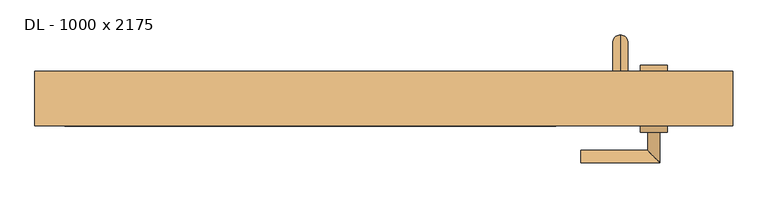
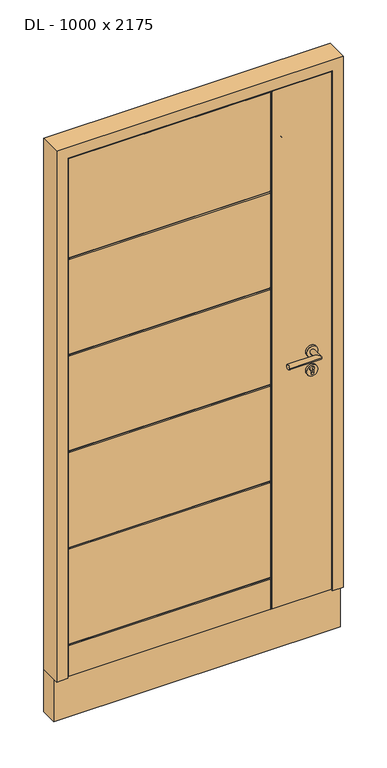
"""IFC4 building model written with IfcOpenShell, lengths in millimetres: door geometry, DL - 1000 x 2175."""

from ifc_helpers import new_model, si_unit, point, frame, frame_2d, origin, place, context, project, spatial, polyline, circle_curve, ellipse_curve, trimmed, segment, composite_curve, outline, extrude, faceted_brep, source, transform, mapped, element, save
from ifc_brep_helpers import plane_surface, cylinder_surface, revolved_surface, advanced_brep


def dl_1000_x_2175_edbf5cfa(model_context):
    return source(origin(), model_context, "Body", "SolidModel", [
        advanced_brep(
        [(390.0, 70.0, 1875.0), (390.0, 70.0, 1900.0), (390.0, 70.0, 225.0), (390.0, 70.0, 200.0), (390.0, 105.0, 225.0), (390.0, 130.0, 200.0), (390.0, 130.0, 1900.0), (390.0, 105.0, 1875.0)],
        [
            (0, 1, circle_curve(frame((390.0, 70.0, 1887.5), z_axis=(0.0, -1.0, 0.0), x_axis=(0.0, 0.0, 1.0)), 12.5)),
            (1, 0, circle_curve(frame((390.0, 70.0, 1887.5), z_axis=(0.0, -1.0, 0.0), x_axis=(0.0, 0.0, 1.0)), 12.5)),
            (2, 3, circle_curve(frame((390.0, 70.0, 212.5), z_axis=(0.0, -1.0, 0.0), x_axis=(0.0, 0.0, -1.0)), 12.5)),
            (3, 2, circle_curve(frame((390.0, 70.0, 212.5), z_axis=(0.0, -1.0, 0.0), x_axis=(0.0, 0.0, -1.0)), 12.5)),
            (4, 2),
            (3, 5),
            (5, 4, ellipse_curve(frame((390.0, 117.5, 212.5), z_axis=(0.0, -0.7071067811865475, -0.7071067811865475), x_axis=(0.0, 0.7071067811865476, -0.7071067811865474)), 17.6776695, 12.5)),
            (4, 5, ellipse_curve(frame((390.0, 117.5, 212.5), z_axis=(0.0, -0.7071067811865475, -0.7071067811865475), x_axis=(0.0, 0.7071067811865476, -0.7071067811865474)), 17.6776695, 12.5)),
            (6, 5),
            (4, 7),
            (7, 6, ellipse_curve(frame((390.0, 117.5, 1887.5), z_axis=(0.0, 0.7071067811865475, -0.7071067811865475), x_axis=(0.0, 0.7071067811865474, 0.7071067811865476)), 17.6776695, 12.5)),
            (6, 7, ellipse_curve(frame((390.0, 117.5, 1887.5), z_axis=(0.0, 0.7071067811865475, -0.7071067811865475), x_axis=(0.0, 0.7071067811865474, 0.7071067811865476)), 17.6776695, 12.5)),
            (1, 6),
            (7, 0),
        ],
        [
            plane_surface(frame((390.0, 70.0, 1900.0), z_axis=(0.0, -1.0, 0.0), x_axis=(-1.0, 0.0, 0.0))),
            plane_surface(frame((390.0, 70.0, 200.0), z_axis=(0.0, -1.0, 0.0), x_axis=(-1.0, 0.0, 0.0))),
            cylinder_surface(frame((390.0, 130.0, 212.5), z_axis=(0.0, 1.0, 0.0), x_axis=(0.0, 0.0, -1.0)), 12.5),
            cylinder_surface(frame((390.0, 117.5, 1900.0), z_axis=(0.0, 0.0, 1.0), x_axis=(0.0, 1.0, 0.0)), 12.5),
            cylinder_surface(frame((390.0, 70.0, 1887.5), z_axis=(0.0, -1.0, 0.0), x_axis=(0.0, 0.0, 1.0)), 12.5),
        ],
        [
            (0, [[1, 2]]),
            (1, [[3, 4]]),
            (2, [[5, -4, 6, 7]]),
            (2, [[-6, -3, -5, 8]]),
            (3, [[9, -8, 10, 11]]),
            (3, [[-10, -7, -9, 12]]),
            (4, [[13, -11, 14, -2]]),
            (4, [[-14, -12, -13, -1]]),
        ],
    ),
        advanced_brep(
        [(467.5, 70.0, 970.0), (422.5, 70.0, 970.0), (467.5, 80.0, 970.0), (422.5, 80.0, 970.0), (450.0, 80.0, 958.5), (450.0, 80.0, 971.1261365), (440.0, 80.0, 971.1261365), (440.0, 80.0, 958.5), (450.0, 72.0, 958.5), (450.0, 72.0, 971.1261365), (440.0, 72.0, 971.1261365), (440.0, 72.0, 958.5)],
        [
            (0, 1, circle_curve(frame((445.0, 70.0, 970.0), z_axis=(0.0, -1.0, 0.0), x_axis=(-1.0, 0.0, 0.0)), 22.5)),
            (1, 0, circle_curve(frame((445.0, 70.0, 970.0), z_axis=(0.0, -1.0, 0.0), x_axis=(-1.0, 0.0, 0.0)), 22.5)),
            (2, 3, circle_curve(frame((445.0, 80.0, 970.0), z_axis=(0.0, 1.0, 0.0), x_axis=(-1.0, 0.0, 0.0)), 22.5)),
            (3, 2, circle_curve(frame((445.0, 80.0, 970.0), z_axis=(0.0, 1.0, 0.0), x_axis=(-1.0, 0.0, 0.0)), 22.5)),
            (4, 5),
            (5, 6, circle_curve(frame((445.0, 80.0, 978.0), z_axis=(0.0, -1.0, 0.0), x_axis=(-1.0, 0.0, 0.0)), 8.5)),
            (6, 7),
            (7, 4, circle_curve(frame((445.0, 80.0, 958.5), z_axis=(0.0, -1.0, 0.0), x_axis=(-1.0, 0.0, 0.0)), 5.0)),
            (1, 3),
            (2, 0),
            (4, 8),
            (8, 9),
            (9, 5),
            (9, 10, circle_curve(frame((445.0, 72.0, 978.0), z_axis=(0.0, -1.0, 0.0), x_axis=(-1.0, 0.0, 0.0)), 8.5)),
            (10, 6),
            (10, 11),
            (11, 7),
            (11, 8, circle_curve(frame((445.0, 72.0, 958.5), z_axis=(0.0, -1.0, 0.0), x_axis=(-1.0, 0.0, 0.0)), 5.0)),
        ],
        [
            plane_surface(frame((422.5, 70.0, 970.0), z_axis=(0.0, -1.0, 0.0), x_axis=(0.0, 0.0, 1.0))),
            plane_surface(frame((422.5, 80.0, 970.0), z_axis=(0.0, 1.0, 0.0), x_axis=(0.0, 0.0, -1.0))),
            cylinder_surface(frame((445.0, 80.0, 970.0), z_axis=(0.0, -1.0, 0.0), x_axis=(-1.0, 0.0, 0.0)), 22.5),
            plane_surface(frame((450.0, 70.0, 958.5), z_axis=(-1.0, 0.0, 0.0), x_axis=(0.0, 1.0, 0.0))),
            revolved_surface(polyline([(436.5, 80.0, 978.0), (436.5, 72.0, 978.0)]), (445.0, 70.0, 978.0), (0.0, 1.0, 0.0)),
            plane_surface(frame((440.0, 70.0, 971.1261365), z_axis=(1.0, 0.0, 0.0), x_axis=(0.0, 1.0, 0.0))),
            revolved_surface(polyline([(440.0, 80.0, 958.5), (440.0, 72.0, 958.5)]), (445.0, 70.0, 958.5), (0.0, 1.0, 0.0)),
            plane_surface(frame((436.5, 72.0, 978.0), z_axis=(0.0, 1.0, 0.0), x_axis=(0.0, 0.0, -1.0))),
        ],
        [
            (0, [[1, 2]]),
            (1, [[3, 4], [5, 6, 7, 8]]),
            (2, [[9, -3, 10, -2]]),
            (2, [[-10, -4, -9, -1]]),
            (3, [[11, 12, 13, -5]]),
            (4, [[-13, 14, 15, -6]]),
            (5, [[-15, 16, 17, -7]]),
            (6, [[-17, 18, -11, -8]]),
            (7, [[-18, -16, -14, -12]]),
        ],
    ),
        advanced_brep(
        [(-526.0, -20.0, 8.0), (282.0, -20.0, 8.0), (282.0, -20.0, 136.0), (-526.0, -20.0, 136.0), (-526.0, -20.0, 144.0), (282.0, -20.0, 144.0), (282.0, -20.0, 545.2), (-526.0, -20.0, 545.2), (282.0, -20.0, 553.2), (282.0, -20.0, 954.4), (-526.0, -20.0, 954.4), (-526.0, -20.0, 553.2), (282.0, -20.0, 962.4), (282.0, -20.0, 1363.6), (-526.0, -20.0, 1363.6), (-526.0, -20.0, 962.4), (282.0, -20.0, 1371.6), (282.0, -20.0, 1772.8), (-526.0, -20.0, 1772.8), (-526.0, -20.0, 1371.6), (-526.0, -20.0, 2201.0), (-526.0, -20.0, 1780.8), (282.0, -20.0, 1780.8), (282.0, -20.0, 2201.0), (526.0, -20.0, 2201.0), (290.0, -20.0, 2201.0), (290.0, -20.0, 8.0), (526.0, -20.0, 8.0), (526.0, 0.0, 8.0), (526.0, 0.0, 2201.0), (-526.0, 0.0, 8.0), (-526.0, 0.0, 2201.0), (-511.0, 0.0, 2186.0), (-511.0, 0.0, 20.0), (511.0, 0.0, 20.0), (511.0, 0.0, 2186.0), (511.0, 50.0, 20.0), (511.0, 50.0, 2186.0), (-511.0, 50.0, 20.0), (-511.0, 50.0, 2186.0), (-496.0, 50.0, 2171.0), (-496.0, 50.0, 140.0), (496.0, 50.0, 140.0), (496.0, 50.0, 2171.0), (496.0, 70.0, 140.0), (496.0, 70.0, 2171.0), (-496.0, 70.0, 553.2), (-496.0, 70.0, 954.4), (282.0, 70.0, 954.4), (282.0, 70.0, 553.2), (-496.0, 70.0, 962.4), (-496.0, 70.0, 1363.6), (282.0, 70.0, 1363.6), (282.0, 70.0, 962.4), (-496.0, 70.0, 1371.6), (-496.0, 70.0, 1772.8), (282.0, 70.0, 1772.8), (282.0, 70.0, 1371.6), (290.0, 70.0, 140.0), (290.0, 70.0, 2171.0), (-496.0, 70.0, 545.2), (282.0, 70.0, 545.2), (282.0, 70.0, 140.0), (-496.0, 70.0, 140.0), (282.0, 70.0, 2171.0), (282.0, 70.0, 1780.8), (-496.0, 70.0, 1780.8), (-496.0, 70.0, 2171.0), (-496.0, 66.0, 1776.8), (-496.0, 66.0, 1367.6), (-496.0, 66.0, 958.4), (-496.0, 66.0, 549.2), (-526.0, -16.0, 140.0), (-526.0, -16.0, 549.2), (-526.0, -16.0, 958.4), (-526.0, -16.0, 1367.6), (-526.0, -16.0, 1776.8), (286.0, -16.0, 2201.0), (286.0, 66.0, 2171.0), (286.0, -16.0, 8.0), (286.0, 66.0, 140.0), (286.0, 66.0, 549.2), (286.0, -16.0, 549.2), (286.0, -16.0, 140.0), (286.0, 66.0, 958.4), (286.0, 66.0, 1367.6), (286.0, 66.0, 1776.8), (286.0, -16.0, 1776.8), (286.0, -16.0, 1367.6), (286.0, -16.0, 958.4)],
        [
            (0, 1),
            (1, 2),
            (2, 3),
            (3, 0),
            (4, 5),
            (5, 6),
            (6, 7),
            (7, 4),
            (8, 9),
            (9, 10),
            (10, 11),
            (11, 8),
            (12, 13),
            (13, 14),
            (14, 15),
            (15, 12),
            (16, 17),
            (17, 18),
            (18, 19),
            (19, 16),
            (20, 21),
            (21, 22),
            (22, 23),
            (23, 20),
            (24, 25),
            (25, 26),
            (26, 27),
            (27, 24),
            (27, 28),
            (28, 29),
            (29, 24),
            (28, 30),
            (30, 31),
            (31, 29),
            (32, 33),
            (33, 34),
            (34, 35),
            (35, 32),
            (34, 36),
            (36, 37),
            (37, 35),
            (36, 38),
            (38, 39),
            (39, 37),
            (40, 41),
            (41, 42),
            (42, 43),
            (43, 40),
            (42, 44),
            (44, 45),
            (45, 43),
            (46, 47),
            (47, 48),
            (48, 49),
            (49, 46),
            (50, 51),
            (51, 52),
            (52, 53),
            (53, 50),
            (54, 55),
            (55, 56),
            (56, 57),
            (57, 54),
            (44, 58),
            (58, 59),
            (59, 45),
            (60, 61),
            (61, 62),
            (62, 63),
            (63, 60),
            (64, 65),
            (65, 66),
            (66, 67),
            (67, 64),
            (66, 68, circle_curve(frame((-496.0, 66.0, 1780.8), z_axis=(-1.0, 0.0, 0.0), x_axis=(0.0, 1.0, 0.0)), 4.0)),
            (68, 55, circle_curve(frame((-496.0, 66.0, 1772.8), z_axis=(-1.0, 0.0, 0.0), x_axis=(0.0, 1.0, 0.0)), 4.0)),
            (54, 69, circle_curve(frame((-496.0, 66.0, 1371.6), z_axis=(-1.0, 0.0, 0.0), x_axis=(0.0, 1.0, 0.0)), 4.0)),
            (69, 51, circle_curve(frame((-496.0, 66.0, 1363.6), z_axis=(-1.0, 0.0, 0.0), x_axis=(0.0, 1.0, 0.0)), 4.0)),
            (50, 70, circle_curve(frame((-496.0, 66.0, 962.4), z_axis=(-1.0, 0.0, 0.0), x_axis=(0.0, 1.0, 0.0)), 4.0)),
            (70, 47, circle_curve(frame((-496.0, 66.0, 954.4), z_axis=(-1.0, 0.0, 0.0), x_axis=(0.0, 1.0, 0.0)), 4.0)),
            (46, 71, circle_curve(frame((-496.0, 66.0, 553.2), z_axis=(-1.0, 0.0, 0.0), x_axis=(0.0, 1.0, 0.0)), 4.0)),
            (71, 60, circle_curve(frame((-496.0, 66.0, 545.2), z_axis=(-1.0, 0.0, 0.0), x_axis=(0.0, 1.0, 0.0)), 4.0)),
            (63, 41),
            (40, 67),
            (38, 33),
            (32, 39),
            (30, 0),
            (3, 72, circle_curve(frame((-526.0, -16.0, 136.0), z_axis=(-1.0, 0.0, 0.0), x_axis=(0.0, -1.0, 0.0)), 4.0)),
            (72, 4, circle_curve(frame((-526.0, -16.0, 144.0), z_axis=(-1.0, 0.0, 0.0), x_axis=(0.0, -1.0, 0.0)), 4.0)),
            (7, 73, circle_curve(frame((-526.0, -16.0, 545.2), z_axis=(-1.0, 0.0, 0.0), x_axis=(0.0, -1.0, 0.0)), 4.0)),
            (73, 11, circle_curve(frame((-526.0, -16.0, 553.2), z_axis=(-1.0, 0.0, 0.0), x_axis=(0.0, -1.0, 0.0)), 4.0)),
            (10, 74, circle_curve(frame((-526.0, -16.0, 954.4), z_axis=(-1.0, 0.0, 0.0), x_axis=(0.0, -1.0, 0.0)), 4.0)),
            (74, 15, circle_curve(frame((-526.0, -16.0, 962.4), z_axis=(-1.0, 0.0, 0.0), x_axis=(0.0, -1.0, 0.0)), 4.0)),
            (14, 75, circle_curve(frame((-526.0, -16.0, 1363.6), z_axis=(-1.0, 0.0, 0.0), x_axis=(0.0, -1.0, 0.0)), 4.0)),
            (75, 19, circle_curve(frame((-526.0, -16.0, 1371.6), z_axis=(-1.0, 0.0, 0.0), x_axis=(0.0, -1.0, 0.0)), 4.0)),
            (18, 76, circle_curve(frame((-526.0, -16.0, 1772.8), z_axis=(-1.0, 0.0, 0.0), x_axis=(0.0, -1.0, 0.0)), 4.0)),
            (76, 21, circle_curve(frame((-526.0, -16.0, 1780.8), z_axis=(-1.0, 0.0, 0.0), x_axis=(0.0, -1.0, 0.0)), 4.0)),
            (20, 31),
            (23, 77, circle_curve(frame((282.0, -16.0, 2201.0), z_axis=(0.0, 0.0, 1.0), x_axis=(0.0, -1.0, 0.0)), 4.0)),
            (77, 25, circle_curve(frame((290.0, -16.0, 2201.0), z_axis=(0.0, 0.0, 1.0), x_axis=(0.0, -1.0, 0.0)), 4.0)),
            (59, 78, circle_curve(frame((290.0, 66.0, 2171.0), z_axis=(0.0, 0.0, 1.0), x_axis=(0.0, 1.0, 0.0)), 4.0)),
            (78, 64, circle_curve(frame((282.0, 66.0, 2171.0), z_axis=(0.0, 0.0, 1.0), x_axis=(0.0, 1.0, 0.0)), 4.0)),
            (26, 79, circle_curve(frame((290.0, -16.0, 8.0), z_axis=(0.0, 0.0, -1.0), x_axis=(0.0, -1.0, 0.0)), 4.0)),
            (79, 1, circle_curve(frame((282.0, -16.0, 8.0), z_axis=(0.0, 0.0, -1.0), x_axis=(0.0, -1.0, 0.0)), 4.0)),
            (62, 80, circle_curve(frame((282.0, 66.0, 140.0), z_axis=(0.0, 0.0, -1.0), x_axis=(0.0, 1.0, 0.0)), 4.0)),
            (80, 58, circle_curve(frame((290.0, 66.0, 140.0), z_axis=(0.0, 0.0, -1.0), x_axis=(0.0, 1.0, 0.0)), 4.0)),
            (81, 61, ellipse_curve(frame((282.0, 66.0, 545.2), z_axis=(-0.7071067811865475, 0.0, 0.7071067811865476), x_axis=(-0.7071067811865476, 0.0, -0.7071067811865475)), 5.6568542, 4.0)),
            (71, 81),
            (49, 81, ellipse_curve(frame((282.0, 66.0, 553.2), z_axis=(-0.7071067811865475, 0.0, -0.7071067811865475), x_axis=(-0.7071067811865476, 0.0, 0.7071067811865474)), 5.6568542, 4.0)),
            (6, 82, ellipse_curve(frame((282.0, -16.0, 545.2), z_axis=(-0.7071067811865475, 0.0, 0.7071067811865475), x_axis=(0.7071067811865476, 0.0, 0.7071067811865474)), 5.6568542, 4.0)),
            (82, 73),
            (82, 8, ellipse_curve(frame((282.0, -16.0, 553.2), z_axis=(-0.7071067811865475, 0.0, -0.7071067811865476), x_axis=(0.7071067811865476, 0.0, -0.7071067811865475)), 5.6568542, 4.0)),
            (2, 83, ellipse_curve(frame((282.0, -16.0, 136.0), z_axis=(-0.7071067811865475, 0.0, 0.7071067811865475), x_axis=(-0.7071067811865476, 0.0, -0.7071067811865474)), 5.6568542, 4.0)),
            (83, 72),
            (83, 5, ellipse_curve(frame((282.0, -16.0, 144.0), z_axis=(-0.7071067811865475, 0.0, -0.7071067811865476), x_axis=(-0.7071067811865476, 0.0, 0.7071067811865475)), 5.6568542, 4.0)),
            (81, 84),
            (84, 85),
            (85, 86),
            (86, 78),
            (80, 81),
            (48, 84, ellipse_curve(frame((282.0, 66.0, 954.4), z_axis=(0.7071067811865475, 0.0, -0.7071067811865476), x_axis=(0.7071067811865476, 0.0, 0.7071067811865474)), 5.6568542, 4.0)),
            (52, 85, ellipse_curve(frame((282.0, 66.0, 1363.6), z_axis=(0.7071067811865475, 0.0, -0.7071067811865476), x_axis=(0.7071067811865476, 0.0, 0.7071067811865474)), 5.6568542, 4.0)),
            (84, 53, ellipse_curve(frame((282.0, 66.0, 962.4), z_axis=(0.7071067811865475, 0.0, 0.7071067811865475), x_axis=(-0.7071067811865474, 0.0, 0.7071067811865477)), 5.6568542, 4.0)),
            (56, 86, ellipse_curve(frame((282.0, 66.0, 1772.8), z_axis=(0.7071067811865475, 0.0, -0.7071067811865476), x_axis=(0.7071067811865476, 0.0, 0.7071067811865474)), 5.6568542, 4.0)),
            (85, 57, ellipse_curve(frame((282.0, 66.0, 1371.6), z_axis=(0.7071067811865475, 0.0, 0.7071067811865475), x_axis=(-0.7071067811865474, 0.0, 0.7071067811865477)), 5.6568542, 4.0)),
            (86, 65, ellipse_curve(frame((282.0, 66.0, 1780.8), z_axis=(0.7071067811865475, 0.0, 0.7071067811865475), x_axis=(-0.7071067811865474, 0.0, 0.7071067811865477)), 5.6568542, 4.0)),
            (70, 84),
            (83, 79),
            (77, 87),
            (87, 88),
            (88, 89),
            (89, 82),
            (82, 83),
            (22, 87, ellipse_curve(frame((282.0, -16.0, 1780.8), z_axis=(0.7071067811865475, 0.0, 0.7071067811865476), x_axis=(0.7071067811865476, 0.0, -0.7071067811865474)), 5.6568542, 4.0)),
            (87, 17, ellipse_curve(frame((282.0, -16.0, 1772.8), z_axis=(0.7071067811865475, 0.0, -0.7071067811865475), x_axis=(-0.7071067811865474, 0.0, -0.7071067811865477)), 5.6568542, 4.0)),
            (16, 88, ellipse_curve(frame((282.0, -16.0, 1371.6), z_axis=(0.7071067811865475, 0.0, 0.7071067811865476), x_axis=(0.7071067811865476, 0.0, -0.7071067811865474)), 5.6568542, 4.0)),
            (88, 13, ellipse_curve(frame((282.0, -16.0, 1363.6), z_axis=(0.7071067811865475, 0.0, -0.7071067811865475), x_axis=(-0.7071067811865474, 0.0, -0.7071067811865477)), 5.6568542, 4.0)),
            (12, 89, ellipse_curve(frame((282.0, -16.0, 962.4), z_axis=(0.7071067811865475, 0.0, 0.7071067811865476), x_axis=(0.7071067811865476, 0.0, -0.7071067811865474)), 5.6568542, 4.0)),
            (89, 9, ellipse_curve(frame((282.0, -16.0, 954.4), z_axis=(0.7071067811865475, 0.0, -0.7071067811865475), x_axis=(-0.7071067811865474, 0.0, -0.7071067811865477)), 5.6568542, 4.0)),
            (89, 74),
            (88, 75),
            (69, 85),
            (87, 76),
            (68, 86),
        ],
        [
            plane_surface(frame((526.0, -20.0, 2201.0), z_axis=(0.0, -1.0, 0.0), x_axis=(0.0, 0.0, -1.0))),
            plane_surface(frame((526.0, 70.0, 2201.0), z_axis=(1.0, 0.0, 0.0), x_axis=(0.0, 0.0, -1.0))),
            plane_surface(frame((511.0, 0.0, 0.0), z_axis=(0.0, 1.0, 0.0), x_axis=(0.0, 0.0, 1.0))),
            plane_surface(frame((511.0, 50.0, 0.0), z_axis=(1.0, 0.0, 0.0), x_axis=(0.0, 0.0, 1.0))),
            plane_surface(frame((496.0, 50.0, 0.0), z_axis=(0.0, 1.0, 0.0), x_axis=(0.0, 0.0, 1.0))),
            plane_surface(frame((496.0, 70.0, 0.0), z_axis=(1.0, 0.0, 0.0), x_axis=(0.0, 0.0, 1.0))),
            plane_surface(frame((-526.0, 70.0, 2201.0), z_axis=(0.0, 1.0, 0.0), x_axis=(0.0, 0.0, -1.0))),
            plane_surface(frame((-496.0, 70.0, 2171.0), z_axis=(-1.0, 0.0, 0.0), x_axis=(0.0, 0.0, -1.0))),
            plane_surface(frame((-511.0, 50.0, 2186.0), z_axis=(-1.0, 0.0, 0.0), x_axis=(0.0, 0.0, -1.0))),
            plane_surface(frame((-526.0, -20.0, 2201.0), z_axis=(-1.0, 0.0, 0.0), x_axis=(0.0, 0.0, -1.0))),
            plane_surface(frame((526.0, 70.0, 2201.0), z_axis=(0.0, 0.0, 1.0), x_axis=(1.0, 0.0, 0.0))),
            plane_surface(frame((496.0, 70.0, 2171.0), z_axis=(0.0, 0.0, 1.0), x_axis=(-1.0, 0.0, 0.0))),
            plane_surface(frame((511.0, 50.0, 2186.0), z_axis=(0.0, 0.0, 1.0), x_axis=(-1.0, 0.0, 0.0))),
            plane_surface(frame((-526.0, 70.0, 20.0), z_axis=(0.0, 0.0, -1.0), x_axis=(1.0, 0.0, 0.0))),
            plane_surface(frame((-526.0, 0.0, 8.0), z_axis=(0.0, 0.0, -1.0), x_axis=(1.0, 0.0, 0.0))),
            plane_surface(frame((-526.0, 70.0, 140.0), z_axis=(0.0, 0.0, -1.0), x_axis=(1.0, 0.0, 0.0))),
            cylinder_surface(frame((286.0, 66.0, 545.2), z_axis=(-1.0, 0.0, 0.0), x_axis=(0.0, 1.0, 0.0)), 4.0),
            cylinder_surface(frame((286.0, 66.0, 553.2), z_axis=(-1.0, 0.0, 0.0), x_axis=(0.0, 1.0, 0.0)), 4.0),
            cylinder_surface(frame((-566.0, -16.0, 545.2), z_axis=(1.0, 0.0, 0.0), x_axis=(0.0, -1.0, 0.0)), 4.0),
            cylinder_surface(frame((-566.0, -16.0, 553.2), z_axis=(1.0, 0.0, 0.0), x_axis=(0.0, -1.0, 0.0)), 4.0),
            cylinder_surface(frame((286.0, -16.0, 136.0), z_axis=(-1.0, 0.0, 0.0), x_axis=(0.0, -1.0, 0.0)), 4.0),
            cylinder_surface(frame((286.0, -16.0, 144.0), z_axis=(-1.0, 0.0, 0.0), x_axis=(0.0, -1.0, 0.0)), 4.0),
            cylinder_surface(frame((290.0, 66.0, -10.0), z_axis=(0.0, 0.0, 1.0), x_axis=(0.0, 1.0, 0.0)), 4.0),
            cylinder_surface(frame((282.0, 66.0, -10.0), z_axis=(0.0, 0.0, 1.0), x_axis=(0.0, 1.0, 0.0)), 4.0),
            cylinder_surface(frame((286.0, 66.0, 954.4), z_axis=(-1.0, 0.0, 0.0), x_axis=(0.0, 1.0, 0.0)), 4.0),
            cylinder_surface(frame((286.0, 66.0, 962.4), z_axis=(-1.0, 0.0, 0.0), x_axis=(0.0, 1.0, 0.0)), 4.0),
            cylinder_surface(frame((290.0, -16.0, 2211.0), z_axis=(0.0, 0.0, -1.0), x_axis=(0.0, -1.0, 0.0)), 4.0),
            cylinder_surface(frame((282.0, -16.0, 2211.0), z_axis=(0.0, 0.0, -1.0), x_axis=(0.0, -1.0, 0.0)), 4.0),
            cylinder_surface(frame((-566.0, -16.0, 954.4), z_axis=(1.0, 0.0, 0.0), x_axis=(0.0, -1.0, 0.0)), 4.0),
            cylinder_surface(frame((-566.0, -16.0, 962.4), z_axis=(1.0, 0.0, 0.0), x_axis=(0.0, -1.0, 0.0)), 4.0),
            cylinder_surface(frame((-566.0, -16.0, 1363.6), z_axis=(1.0, 0.0, 0.0), x_axis=(0.0, -1.0, 0.0)), 4.0),
            cylinder_surface(frame((-566.0, -16.0, 1371.6), z_axis=(1.0, 0.0, 0.0), x_axis=(0.0, -1.0, 0.0)), 4.0),
            cylinder_surface(frame((286.0, 66.0, 1363.6), z_axis=(-1.0, 0.0, 0.0), x_axis=(0.0, 1.0, 0.0)), 4.0),
            cylinder_surface(frame((286.0, 66.0, 1371.6), z_axis=(-1.0, 0.0, 0.0), x_axis=(0.0, 1.0, 0.0)), 4.0),
            cylinder_surface(frame((-566.0, -16.0, 1772.8), z_axis=(1.0, 0.0, 0.0), x_axis=(0.0, -1.0, 0.0)), 4.0),
            cylinder_surface(frame((-566.0, -16.0, 1780.8), z_axis=(1.0, 0.0, 0.0), x_axis=(0.0, -1.0, 0.0)), 4.0),
            cylinder_surface(frame((286.0, 66.0, 1772.8), z_axis=(-1.0, 0.0, 0.0), x_axis=(0.0, 1.0, 0.0)), 4.0),
            cylinder_surface(frame((286.0, 66.0, 1780.8), z_axis=(-1.0, 0.0, 0.0), x_axis=(0.0, 1.0, 0.0)), 4.0),
        ],
        [
            (0, [[1, 2, 3, 4]]),
            (0, [[5, 6, 7, 8]]),
            (0, [[9, 10, 11, 12]]),
            (0, [[13, 14, 15, 16]]),
            (0, [[17, 18, 19, 20]]),
            (0, [[21, 22, 23, 24]]),
            (0, [[25, 26, 27, 28]]),
            (1, [[-28, 29, 30, 31]]),
            (2, [[-30, 32, 33, 34], [35, 36, 37, 38]]),
            (3, [[-37, 39, 40, 41]]),
            (4, [[-40, 42, 43, 44], [45, 46, 47, 48]]),
            (5, [[-47, 49, 50, 51]]),
            (6, [[52, 53, 54, 55]]),
            (6, [[56, 57, 58, 59]]),
            (6, [[60, 61, 62, 63]]),
            (6, [[64, 65, 66, -50]]),
            (6, [[67, 68, 69, 70]]),
            (6, [[71, 72, 73, 74]]),
            (7, [[-73, 75, 76, -60, 77, 78, -56, 79, 80, -52, 81, 82, -70, 83, -45, 84]]),
            (8, [[-43, 85, -35, 86]]),
            (9, [[-33, 87, -4, 88, 89, -8, 90, 91, -11, 92, 93, -15, 94, 95, -19, 96, 97, -21, 98]]),
            (10, [[-34, -98, -24, 99, 100, -25, -31]]),
            (11, [[-66, 101, 102, -74, -84, -48, -51]]),
            (12, [[-86, -38, -41, -44]]),
            (13, [[-85, -42, -39, -36]]),
            (14, [[-27, 103, 104, -1, -87, -32, -29]]),
            (15, [[-83, -69, 105, 106, -64, -49, -46]]),
            (16, [[107, -67, -82, 108]]),
            (17, [[-81, -55, 109, -108]]),
            (18, [[-90, -7, 110, 111]]),
            (19, [[112, -12, -91, -111]]),
            (20, [[-88, -3, 113, 114]]),
            (21, [[115, -5, -89, -114]]),
            (22, [[116, 117, 118, 119, -101, -65, -106, 120]]),
            (23, [[-54, 121, -116, -109]]),
            (23, [[-58, 122, -117, 123]]),
            (23, [[-62, 124, -118, 125]]),
            (23, [[-105, -68, -107, -120]]),
            (23, [[-119, 126, -71, -102]]),
            (24, [[-121, -53, -80, 127]]),
            (25, [[-79, -59, -123, -127]]),
            (26, [[128, -103, -26, -100, 129, 130, 131, 132, 133]]),
            (27, [[-23, 134, -129, -99]]),
            (27, [[-110, -6, -115, -133]]),
            (27, [[-113, -2, -104, -128]]),
            (27, [[-130, 135, -17, 136]]),
            (27, [[-131, 137, -13, 138]]),
            (27, [[-132, 139, -9, -112]]),
            (28, [[-92, -10, -139, 140]]),
            (29, [[-138, -16, -93, -140]]),
            (30, [[-94, -14, -137, 141]]),
            (31, [[-136, -20, -95, -141]]),
            (32, [[-122, -57, -78, 142]]),
            (33, [[-77, -63, -125, -142]]),
            (34, [[-96, -18, -135, 143]]),
            (35, [[-134, -22, -97, -143]]),
            (36, [[-124, -61, -76, 144]]),
            (37, [[-75, -72, -126, -144]]),
        ],
    ),
        extrude(outline(polyline([(50.0, 140.0), (66.0, 140.0), (66.0, 136.0), (70.0, 136.0), (70.0, 20.0), (65.9609036, 20.0), (65.9609036, 24.0), (61.9609036, 24.0), (61.9609036, 20.0), (50.0, 20.0), (50.0, 140.0)])), frame((-496.0, 0.0, 0.0), z_axis=(1.0, 0.0, 0.0), x_axis=(0.0, 1.0, 0.0)), (0.0, 0.0, 1.0), 992.0),
        faceted_brep([(496.0, 50.0, 0.0), (496.0, 70.0, 0.0), (496.0, 70.0, 7.0), (496.0, 50.0, 9.0), (-496.0, 50.0, 0.0), (-511.0, 50.0, 0.0), (-511.0, 50.0, 9.0), (-496.0, 50.0, 9.0), (511.0, 50.0, 9.0), (511.0, 50.0, 0.0), (511.0, 20.0, 12.0), (511.0, 20.0, 15.0), (511.0, 0.0, 15.0), (511.0, 0.0, 0.0), (-496.0, 70.0, 7.0), (-496.0, 70.0, 0.0), (-511.0, 0.0, 0.0), (-511.0, 0.0, 15.0), (-511.0, 20.0, 15.0), (-511.0, 20.0, 12.0)], [[[0, 1, 2, 3]], [[4, 5, 6, 7]], [[3, 8, 9, 0]], [[8, 10, 11, 12, 13, 9]], [[7, 14, 15, 4]], [[5, 16, 17, 18, 19, 6]], [[17, 16, 13, 12]], [[16, 5, 4, 15, 1, 0, 9, 13]], [[15, 14, 2, 1]], [[12, 11, 18, 17]], [[14, 7, 6, 19, 10, 8, 3, 2]], [[11, 10, 19, 18]]]),
        advanced_brep(
        [(467.5, -20.0, 970.0), (422.5, -20.0, 970.0), (467.5, -30.0, 970.0), (422.5, -30.0, 970.0), (450.0, -30.0, 958.5), (440.0, -30.0, 958.5), (440.0, -30.0, 971.1261365), (450.0, -30.0, 971.1261365), (450.0, -22.0, 971.1261365), (450.0, -22.0, 958.5), (440.0, -22.0, 971.1261365), (440.0, -22.0, 958.5)],
        [
            (0, 1, circle_curve(frame((445.0, -20.0, 970.0), z_axis=(0.0, 1.0, 0.0), x_axis=(-1.0, 0.0, 0.0)), 22.5)),
            (1, 0, circle_curve(frame((445.0, -20.0, 970.0), z_axis=(0.0, 1.0, 0.0), x_axis=(-1.0, 0.0, 0.0)), 22.5)),
            (2, 3, circle_curve(frame((445.0, -30.0, 970.0), z_axis=(0.0, -1.0, 0.0), x_axis=(-1.0, 0.0, 0.0)), 22.5)),
            (3, 2, circle_curve(frame((445.0, -30.0, 970.0), z_axis=(0.0, -1.0, 0.0), x_axis=(-1.0, 0.0, 0.0)), 22.5)),
            (4, 5, circle_curve(frame((445.0, -30.0, 958.5), z_axis=(0.0, 1.0, 0.0), x_axis=(-1.0, 0.0, 0.0)), 5.0)),
            (5, 6),
            (6, 7, circle_curve(frame((445.0, -30.0, 978.0), z_axis=(0.0, 1.0, 0.0), x_axis=(-1.0, 0.0, 0.0)), 8.5)),
            (7, 4),
            (0, 2),
            (3, 1),
            (7, 8),
            (8, 9),
            (9, 4),
            (6, 10),
            (10, 8, circle_curve(frame((445.0, -22.0, 978.0), z_axis=(0.0, 1.0, 0.0), x_axis=(-1.0, 0.0, 0.0)), 8.5)),
            (5, 11),
            (11, 10),
            (9, 11, circle_curve(frame((445.0, -22.0, 958.5), z_axis=(0.0, 1.0, 0.0), x_axis=(-1.0, 0.0, 0.0)), 5.0)),
        ],
        [
            plane_surface(frame((422.5, -20.0, 970.0), z_axis=(0.0, 1.0, 0.0), x_axis=(0.0, 0.0, 1.0))),
            plane_surface(frame((422.5, -30.0, 970.0), z_axis=(0.0, -1.0, 0.0), x_axis=(0.0, 0.0, -1.0))),
            cylinder_surface(frame((445.0, -30.0, 970.0), z_axis=(0.0, 1.0, 0.0), x_axis=(-1.0, 0.0, 0.0)), 22.5),
            plane_surface(frame((450.0, -20.0, 958.5), z_axis=(-1.0, 0.0, 0.0), x_axis=(0.0, -1.0, 0.0))),
            revolved_surface(polyline([(436.5, -30.0, 978.0), (436.5, -22.0, 978.0)]), (445.0, -20.0, 978.0), (0.0, -1.0, 0.0)),
            plane_surface(frame((440.0, -20.0, 971.1261365), z_axis=(1.0, 0.0, 0.0), x_axis=(0.0, -1.0, 0.0))),
            revolved_surface(polyline([(440.0, -30.0, 958.5), (440.0, -22.0, 958.5)]), (445.0, -20.0, 958.5), (0.0, -1.0, 0.0)),
            plane_surface(frame((450.0, -22.0, 958.5), z_axis=(0.0, -1.0, 0.0), x_axis=(0.0, 0.0, 1.0))),
        ],
        [
            (0, [[1, 2]]),
            (1, [[3, 4], [5, 6, 7, 8]]),
            (2, [[-1, 9, -4, 10]]),
            (2, [[-2, -10, -3, -9]]),
            (3, [[-8, 11, 12, 13]]),
            (4, [[-7, 14, 15, -11]]),
            (5, [[-6, 16, 17, -14]]),
            (6, [[-5, -13, 18, -16]]),
            (7, [[-12, -15, -17, -18]]),
        ],
    ),
        advanced_brep(
        [(435.0, -30.0, 1050.0), (455.0, -30.0, 1050.0), (435.0, -60.0, 1050.0), (455.0, -80.0, 1050.0), (325.0, -60.0, 1050.0), (325.0, -80.0, 1050.0)],
        [
            (0, 1, circle_curve(frame((445.0, -30.0, 1050.0), z_axis=(0.0, 1.0, 0.0), x_axis=(1.0, 0.0, 0.0)), 10.0)),
            (1, 0, circle_curve(frame((445.0, -30.0, 1050.0), z_axis=(0.0, 1.0, 0.0), x_axis=(1.0, 0.0, 0.0)), 10.0)),
            (0, 2),
            (2, 3, ellipse_curve(frame((445.0, -70.0, 1050.0), z_axis=(0.7071067811865486, 0.7071067811865464, 0.0), x_axis=(-0.7071067811865464, 0.7071067811865488, 0.0)), 14.1421356, 10.0)),
            (3, 1),
            (3, 2, ellipse_curve(frame((445.0, -70.0, 1050.0), z_axis=(0.7071067811865486, 0.7071067811865464, 0.0), x_axis=(-0.7071067811865464, 0.7071067811865488, 0.0)), 14.1421356, 10.0)),
            (4, 5, circle_curve(frame((325.0, -70.0, 1050.0), z_axis=(-1.0, 0.0, 0.0), x_axis=(0.0, -1.0, 0.0)), 10.0)),
            (5, 4, circle_curve(frame((325.0, -70.0, 1050.0), z_axis=(-1.0, 0.0, 0.0), x_axis=(0.0, -1.0, 0.0)), 10.0)),
            (2, 4),
            (5, 3),
        ],
        [
            plane_surface(frame((445.0, -30.0, 1050.0), z_axis=(0.0, 1.0, 0.0), x_axis=(0.0, 0.0, 1.0))),
            cylinder_surface(frame((445.0, -30.0, 1050.0), z_axis=(0.0, 1.0, 0.0), x_axis=(1.0, 0.0, 0.0)), 10.0),
            plane_surface(frame((325.0, -70.0, 1050.0), z_axis=(-1.0, 0.0, 0.0), x_axis=(0.0, 0.0, 1.0))),
            cylinder_surface(frame((445.0, -70.0, 1050.0), z_axis=(1.0, 0.0, 0.0), x_axis=(0.0, -1.0, 0.0)), 10.0),
        ],
        [
            (0, [[1, 2]]),
            (1, [[-1, 3, 4, 5]]),
            (1, [[-2, -5, 6, -3]]),
            (2, [[7, 8]]),
            (3, [[-4, 9, -8, 10]]),
            (3, [[-6, -10, -7, -9]]),
        ],
    ),
        advanced_brep(
        [(435.0, -30.0, 1050.0), (455.0, -30.0, 1050.0), (435.0, -60.0, 1050.0), (455.0, -80.0, 1050.0), (325.0, -60.0, 1050.0), (325.0, -80.0, 1050.0)],
        [
            (0, 1, circle_curve(frame((445.0, -30.0, 1050.0), z_axis=(0.0, 1.0, 0.0), x_axis=(1.0, 0.0, 0.0)), 10.0)),
            (1, 0, circle_curve(frame((445.0, -30.0, 1050.0), z_axis=(0.0, 1.0, 0.0), x_axis=(1.0, 0.0, 0.0)), 10.0)),
            (0, 2),
            (2, 3, ellipse_curve(frame((445.0, -70.0, 1050.0), z_axis=(0.7071067811865491, 0.7071067811865459, 0.0), x_axis=(-0.7071067811865458, 0.7071067811865492, 0.0)), 14.1421356, 10.0)),
            (3, 1),
            (3, 2, ellipse_curve(frame((445.0, -70.0, 1050.0), z_axis=(0.7071067811865491, 0.7071067811865459, 0.0), x_axis=(-0.7071067811865458, 0.7071067811865492, 0.0)), 14.1421356, 10.0)),
            (4, 5, circle_curve(frame((325.0, -70.0, 1050.0), z_axis=(-1.0, 0.0, 0.0), x_axis=(0.0, -1.0, 0.0)), 10.0)),
            (5, 4, circle_curve(frame((325.0, -70.0, 1050.0), z_axis=(-1.0, 0.0, 0.0), x_axis=(0.0, -1.0, 0.0)), 10.0)),
            (2, 4),
            (5, 3),
        ],
        [
            plane_surface(frame((445.0, -30.0, 1050.0), z_axis=(0.0, 1.0, 0.0), x_axis=(0.0, 0.0, 1.0))),
            cylinder_surface(frame((445.0, -30.0, 1050.0), z_axis=(0.0, 1.0, 0.0), x_axis=(1.0, 0.0, 0.0)), 10.0),
            plane_surface(frame((325.0, -70.0, 1050.0), z_axis=(-1.0, 0.0, 0.0), x_axis=(0.0, 0.0, 1.0))),
            cylinder_surface(frame((445.0, -70.0, 1050.0), z_axis=(1.0, 0.0, 0.0), x_axis=(0.0, -1.0, 0.0)), 10.0),
        ],
        [
            (0, [[1, 2]]),
            (1, [[-1, 3, 4, 5]]),
            (1, [[-2, -5, 6, -3]]),
            (2, [[7, 8]]),
            (3, [[-4, 9, -8, 10]]),
            (3, [[-6, -10, -7, -9]]),
        ],
    ),
        extrude(outline(composite_curve([segment(trimmed(circle_curve(frame_2d((1050.0, 445.0)), 22.5), [point((1050.0, 467.5))], [point((1050.0, 422.5))], False, "CARTESIAN"), True, "CONTINUOUS"), segment(trimmed(circle_curve(frame_2d((1050.0, 445.0)), 22.5), [point((1050.0, 422.5))], [point((1050.0, 467.5))], False, "CARTESIAN"), True, "CONTINUOUS")], self_intersect=False)), frame((0.0, -30.0, 0.0), z_axis=(0.0, 1.0, 0.0), x_axis=(0.0, 0.0, 1.0)), (0.0, 0.0, 1.0), 10.0),
        faceted_brep([(-575.0, -20.0, 2250.0), (-575.0, -20.0, 0.0), (-530.0, -20.0, 0.0), (-530.0, -20.0, 2205.0), (530.0, -20.0, 2205.0), (530.0, -20.0, 0.0), (575.0, -20.0, 0.0), (575.0, -20.0, 2250.0), (-575.0, 70.0, 2250.0), (-575.0, 70.0, 0.0), (-500.0, 70.0, 0.0), (-500.0, 50.0, 0.0), (-515.0, 50.0, 0.0), (-515.0, 0.0, 0.0), (-530.0, 0.0, 0.0), (-530.0, 0.0, 2205.0), (530.0, 0.0, 2205.0), (530.0, 0.0, 0.0), (500.0, 70.0, 0.0), (575.0, 70.0, 0.0), (515.0, 0.0, 0.0), (515.0, 50.0, 0.0), (500.0, 50.0, 0.0), (575.0, 70.0, 2250.0), (500.0, 70.0, 2175.0), (-500.0, 70.0, 2175.0), (500.0, 50.0, 2175.0), (-500.0, 50.0, 2175.0), (-515.0, 0.0, 2190.0), (515.0, 0.0, 2190.0), (515.0, 50.0, 2190.0), (-515.0, 50.0, 2190.0)], [[[0, 1, 2, 3, 4, 5, 6, 7]], [[1, 0, 8, 9]], [[9, 10, 11, 12, 13, 14, 2, 1]], [[14, 15, 3, 2]], [[16, 17, 5, 4]], [[18, 19, 6, 5, 17, 20, 21, 22]], [[7, 6, 19, 23]], [[8, 23, 19, 18, 24, 25, 10, 9]], [[24, 18, 22, 26]], [[10, 25, 27, 11]], [[15, 14, 13, 28, 29, 20, 17, 16]], [[20, 29, 30, 21]], [[31, 12, 11, 27, 26, 22, 21, 30]], [[28, 13, 12, 31]], [[0, 7, 23, 8]], [[25, 24, 26, 27]], [[3, 15, 16, 4]], [[29, 28, 31, 30]]]),
        extrude(outline(polyline([(575.0, 70.0), (575.0, 0.0), (-575.0, 0.0), (-575.0, 70.0), (575.0, 70.0)])), frame((0.0, 0.0, -180.0), z_axis=(0.0, 0.0, 1.0), x_axis=(1.0, 0.0, 0.0)), (0.0, 0.0, 1.0), 180.0),
    ])


if __name__ == "__main__":
    model = new_model("IFC4")
    model_context = context("Model", 3, world=origin())
    ifc_project = project(units=[si_unit("LENGTHUNIT", "METRE", prefix="MILLI")], contexts=[model_context])
    site = spatial("IfcSite", under=ifc_project)
    building = spatial("IfcBuilding", under=site)
    placement = place(None, origin())
    dl_1000_x_2175_shape = dl_1000_x_2175_edbf5cfa(model_context)
    element("IfcDoor", 1, ObjectType="DL - 1000 x 2175", at=placement, inside=building, context=model_context, shape_type="MappedRepresentation", body=[
        mapped(dl_1000_x_2175_shape, transform((0.0, 0.0, 0.0), x_axis=(1.0, 0.0, 0.0), y_axis=(0.0, 1.0, 0.0), z_axis=(0.0, 0.0, 1.0))),
    ])
    save(model, "model.ifc")
